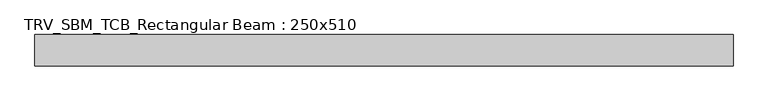
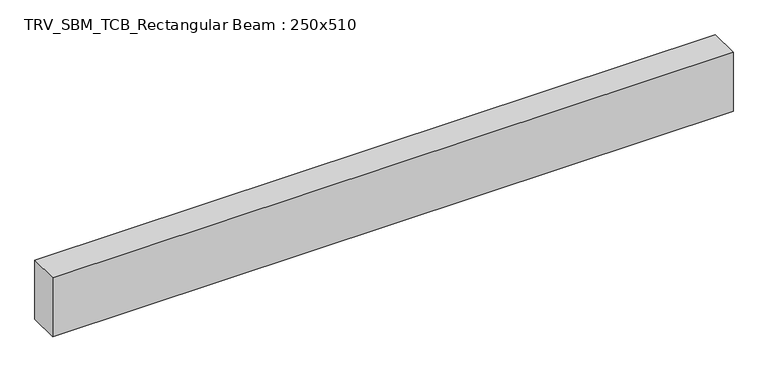
"""IFC4 building model written with IfcOpenShell, lengths in millimetres: beam geometry, TRV_SBM_TCB_Rectangular Beam : 250x510."""

import ifcopenshell
import ifcopenshell.guid

model = None  # the IFC model being written
_history = None  # IfcOwnerHistory: only IFC2X3 demands one
_inside = {}  # id of a spatial element -> (the spatial element, [elements in it])
_under = {}  # id of a project, library or spatial element -> (it, [spatial elements below it])
_declared = {}  # id of a project -> (the project, [libraries it declares])
_typed = {}  # id of a type object -> (the type object, [elements of that type])
_made_of = {}  # id of a material, layer set ... -> (it, [elements and type objects made of it])


def new_model(schema):
    """Start an empty IFC model of exactly this schema.

    Asked for "IFC4X3", IfcOpenShell would pick the latest addendum, in which some entities
    have other attributes; the version numbers below select the first issue.
    IFC2X3 requires an IfcOwnerHistory on every rooted entity: one is made here for all.
    """
    global model, _history
    if schema == "IFC4X3":
        model = ifcopenshell.file(schema_version=(4, 3, 0, 0))
    else:
        model = ifcopenshell.file(schema=schema)
    _inside.clear()
    _under.clear()
    _declared.clear()
    _typed.clear()
    _made_of.clear()
    _history = None
    if model.schema == "IFC2X3":
        org = make("IfcOrganization", Name="unknown")
        user = make(
            "IfcPersonAndOrganization",
            ThePerson=make("IfcPerson", FamilyName="unknown"),
            TheOrganization=org,
        )
        app = make(
            "IfcApplication",
            ApplicationDeveloper=org,
            Version="unknown",
            ApplicationFullName="unknown",
            ApplicationIdentifier="unknown",
        )
        _history = make(
            "IfcOwnerHistory",
            OwningUser=user,
            OwningApplication=app,
            ChangeAction="ADDED",
            CreationDate=0,
        )
    return model


def make(cls, **values):
    """One entity of the class cls with the attributes given. An attribute that is None is left unset."""
    return model.create_entity(
        cls, **{name: value for name, value in values.items() if value is not None}
    )


def rooted(cls, **values):
    """An entity with a GlobalId (a new one), such as an element, a storey or a relation."""
    return make(cls, GlobalId=ifcopenshell.guid.new(), OwnerHistory=_history, **values)


def si_unit(unit_type, name, prefix=None):
    """IfcSIUnit, for example si_unit("LENGTHUNIT", "METRE", prefix="MILLI")."""
    return make("IfcSIUnit", UnitType=unit_type, Prefix=prefix, Name=name)


def assignment(units):
    """IfcUnitAssignment: the units of a project."""
    return None if units is None else make("IfcUnitAssignment", Units=units)


def point(xyz):
    """IfcCartesianPoint."""
    return None if xyz is None else make("IfcCartesianPoint", Coordinates=xyz)


def direction(xyz):
    """IfcDirection."""
    return None if xyz is None else make("IfcDirection", DirectionRatios=xyz)


def frame(location, z_axis=None, x_axis=None):
    """IfcAxis2Placement3D, a coordinate frame: its origin and axes. An axis left out is left unset."""
    return make(
        "IfcAxis2Placement3D",
        Location=point(location),
        Axis=direction(z_axis),
        RefDirection=direction(x_axis),
    )


def origin():
    """The frame at (0, 0, 0) with its axes left unset."""
    return frame((0.0, 0.0, 0.0))


def place(relative_to, where):
    """IfcLocalPlacement: puts the frame where relative to a parent placement (None: the world)."""
    return make(
        "IfcLocalPlacement", PlacementRelTo=relative_to, RelativePlacement=where
    )


def context(
    kind, dimensions, precision=None, world=None, true_north=None, identifier=None
):
    """IfcGeometricRepresentationContext, for example the 3D "Model" context."""
    return make(
        "IfcGeometricRepresentationContext",
        ContextIdentifier=identifier,
        ContextType=kind,
        CoordinateSpaceDimension=dimensions,
        Precision=precision,
        WorldCoordinateSystem=world,
        TrueNorth=true_north,
    )


def project(units=None, contexts=None):
    """IfcProject with its units and contexts."""
    return rooted(
        "IfcProject",
        Name="project",
        RepresentationContexts=contexts,
        UnitsInContext=assignment(units),
    )


def spatial(cls, under=None, at=None, **own):
    """A site, building, storey or space (cls), placed at a placement, below another one or the project."""
    s = rooted(cls, ObjectPlacement=at, **own)
    if under is not None:
        _under.setdefault(under.id(), (under, []))[1].append(s)
    return s


def polyline(points):
    """IfcPolyline through the points."""
    return make("IfcPolyline", Points=[point(p) for p in points])


def outline(outer, holes=None, kind="AREA"):
    """IfcArbitraryClosedProfileDef: a profile drawn as a closed curve; with holes, ...WithVoids."""
    if holes is None:
        return make("IfcArbitraryClosedProfileDef", ProfileType=kind, OuterCurve=outer)
    return make(
        "IfcArbitraryProfileDefWithVoids",
        ProfileType=kind,
        OuterCurve=outer,
        InnerCurves=holes,
    )


def extrude(swept, where, along, depth):
    """IfcExtrudedAreaSolid: the profile swept, set in the frame where, extruded along a direction by depth."""
    return make(
        "IfcExtrudedAreaSolid",
        SweptArea=swept,
        Position=where,
        ExtrudedDirection=direction(along),
        Depth=depth,
    )


def shape(context_of_items, identifier, shape_type, items):
    """IfcShapeRepresentation: the items that make up one representation, for example the "Body"."""
    return make(
        "IfcShapeRepresentation",
        ContextOfItems=context_of_items,
        RepresentationIdentifier=identifier,
        RepresentationType=shape_type,
        Items=items,
    )


def source(mapping_origin, context_of_items, identifier, shape_type, items):
    """IfcRepresentationMap: a shape defined once, which mapped items show again and again."""
    return make(
        "IfcRepresentationMap",
        MappingOrigin=mapping_origin,
        MappedRepresentation=shape(context_of_items, identifier, shape_type, items),
    )


def transform(
    local_origin,
    x_axis=None,
    y_axis=None,
    z_axis=None,
    scale=None,
    scale2=None,
    scale3=None,
    uniform=True,
):
    """IfcCartesianTransformationOperator3D, or its non-uniform kind. x_axis, y_axis, z_axis: its Axis1, 2, 3."""
    if uniform:
        return make(
            "IfcCartesianTransformationOperator3D",
            Axis1=direction(x_axis),
            Axis2=direction(y_axis),
            LocalOrigin=point(local_origin),
            Scale=scale,
            Axis3=direction(z_axis),
        )
    return make(
        "IfcCartesianTransformationOperator3DnonUniform",
        Axis1=direction(x_axis),
        Axis2=direction(y_axis),
        LocalOrigin=point(local_origin),
        Scale=scale,
        Axis3=direction(z_axis),
        Scale2=scale2,
        Scale3=scale3,
    )


def mapped(mapping_source, mapping_target):
    """IfcMappedItem: shows the shape of a source again, moved by a transform."""
    return make(
        "IfcMappedItem", MappingSource=mapping_source, MappingTarget=mapping_target
    )


def made_of(thing, what):
    """Note that an element or type object is made of a material, layer set ...; save() writes the relation."""
    if what is not None:
        _made_of.setdefault(what.id(), (what, []))[1].append(thing)
    return thing


def element(
    cls,
    number,
    at=None,
    inside=None,
    cuts=None,
    type_object=None,
    material=None,
    context=None,
    identifier="Body",
    shape_type=None,
    held_by="IfcProductDefinitionShape",
    body=None,
    shapes=None,
    **own,
):
    """One element of the class cls, such as IfcWall. Its Tag is "e" and its number.

    at: its placement. inside: the storey or other place that contains it. cuts: it is an
    opening in that element (IfcRelVoidsElement). A single representation is given by context,
    identifier, shape_type and body (its items); several are given by shapes. held_by: the class
    of the entity that holds the representations. save() writes the other relations.
    """
    e = rooted(cls, Tag="e%d" % number, ObjectPlacement=at, **own)
    if body is not None:
        shapes = [shape(context, identifier, shape_type, body)]
    if shapes is not None:
        e.Representation = make(held_by, Representations=shapes)
    if inside is not None:
        _inside.setdefault(inside.id(), (inside, []))[1].append(e)
    if cuts is not None:
        rooted(
            "IfcRelVoidsElement", RelatingBuildingElement=cuts, RelatedOpeningElement=e
        )
    if type_object is not None:
        _typed.setdefault(type_object.id(), (type_object, []))[1].append(e)
    return made_of(e, material)


def aggregate(whole, parts):
    """IfcRelAggregates: a whole, such as a stair, and the parts it consists of."""
    return rooted("IfcRelAggregates", RelatingObject=whole, RelatedObjects=parts)


def save(model, path):
    """Write the relations noted so far, then the file.

    IfcRelAggregates (storeys below a building ...), IfcRelContainedInSpatialStructure (elements
    in a storey), IfcRelDefinesByType, IfcRelAssociatesMaterial and IfcRelDeclares: one each for
    every whole, place, type object, material and project.
    """
    for whole, parts in _under.values():
        aggregate(whole, parts)
    for where, things in _inside.values():
        rooted(
            "IfcRelContainedInSpatialStructure",
            RelatedElements=things,
            RelatingStructure=where,
        )
    for kind, things in _typed.values():
        rooted("IfcRelDefinesByType", RelatedObjects=things, RelatingType=kind)
    for what, things in _made_of.values():
        rooted("IfcRelAssociatesMaterial", RelatedObjects=things, RelatingMaterial=what)
    for by, libraries in _declared.values():
        rooted("IfcRelDeclares", RelatingContext=by, RelatedDefinitions=libraries)
    model.write(path)


def trv_sbm_tcb_rectangular_beam_250x510_4d606b6e(model_context):
    return source(origin(), model_context, "Body", "SweptSolid", [
        extrude(outline(polyline([(2783.2, 125.0), (2783.2, -125.0), (-2783.2, -125.0), (-2783.2, 125.0), (2783.2, 125.0)])), frame((0.0, 0.0, -255.0), z_axis=(0.0, 0.0, 1.0), x_axis=(1.0, 0.0, 0.0)), (0.0, 0.0, 1.0), 510.0),
    ])


if __name__ == "__main__":
    model = new_model("IFC4")
    model_context = context("Model", 3, world=origin())
    ifc_project = project(units=[si_unit("LENGTHUNIT", "METRE", prefix="MILLI")], contexts=[model_context])
    site = spatial("IfcSite", under=ifc_project)
    building = spatial("IfcBuilding", under=site)
    placement = place(None, origin())
    trv_sbm_tcb_rectangular_beam_250x510_shape = trv_sbm_tcb_rectangular_beam_250x510_4d606b6e(model_context)
    element("IfcBeam", 1, ObjectType="TRV_SBM_TCB_Rectangular Beam : 250x510", at=placement, inside=building, context=model_context, shape_type="MappedRepresentation", body=[
        mapped(trv_sbm_tcb_rectangular_beam_250x510_shape, transform((0.0, 0.0, 0.0), x_axis=(1.0, 0.0, 0.0), y_axis=(0.0, 1.0, 0.0), z_axis=(0.0, 0.0, 1.0))),
    ])
    save(model, "model.ifc")
